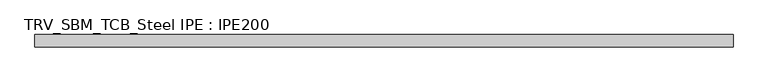
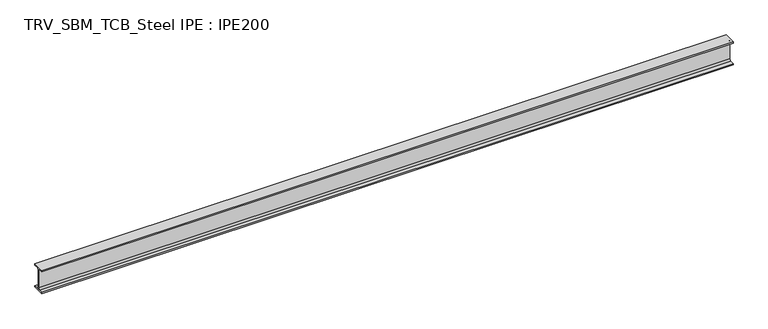
"""IFC4 building model written with IfcOpenShell, lengths in millimetres: beam geometry, TRV_SBM_TCB_Steel IPE : IPE200."""

from ifc_helpers import new_model, si_unit, point, frame, frame_2d, origin, place, context, project, spatial, polyline, circle_curve, trimmed, segment, composite_curve, outline, extrude, source, transform, mapped, element, save


def trv_sbm_tcb_steel_ipe_ipe200_c2ee52cb(model_context):
    return source(origin(), model_context, "Body", "SweptSolid", [
        extrude(outline(composite_curve([segment(polyline([(-50.0, -89.3), (-18.55, -89.3)]), True, "CONTINUOUS"), segment(trimmed(circle_curve(frame_2d((-18.55, -74.3)), 15.0), [point((-18.55, -89.3))], [point((-3.55, -74.3))], True, "CARTESIAN"), True, "CONTINUOUS"), segment(polyline([(-3.55, -74.3), (-3.55, 74.3)]), True, "CONTINUOUS"), segment(trimmed(circle_curve(frame_2d((-18.55, 74.3)), 15.0), [point((-3.55, 74.3))], [point((-18.55, 89.3))], True, "CARTESIAN"), True, "CONTINUOUS"), segment(polyline([(-18.55, 89.3), (-50.0, 89.3), (-50.0, 100.0), (50.0, 100.0), (50.0, 89.3), (18.55, 89.3)]), True, "CONTINUOUS"), segment(trimmed(circle_curve(frame_2d((18.55, 74.3)), 15.0), [point((18.55, 89.3))], [point((3.55, 74.3))], True, "CARTESIAN"), True, "CONTINUOUS"), segment(polyline([(3.55, 74.3), (3.55, -74.3)]), True, "CONTINUOUS"), segment(trimmed(circle_curve(frame_2d((18.55, -74.3)), 15.0), [point((3.55, -74.3))], [point((18.55, -89.3))], True, "CARTESIAN"), True, "CONTINUOUS"), segment(polyline([(18.55, -89.3), (50.0, -89.3), (50.0, -100.0), (-50.0, -100.0), (-50.0, -89.3)]), True, "CONTINUOUS")], self_intersect=False)), frame((-2816.5, 0.0, 0.0), z_axis=(1.0, 0.0, 0.0), x_axis=(0.0, 1.0, 0.0)), (0.0, 0.0, 1.0), 5693.0),
    ])


if __name__ == "__main__":
    model = new_model("IFC4")
    model_context = context("Model", 3, world=origin())
    ifc_project = project(units=[si_unit("LENGTHUNIT", "METRE", prefix="MILLI")], contexts=[model_context])
    site = spatial("IfcSite", under=ifc_project)
    building = spatial("IfcBuilding", under=site)
    placement = place(None, origin())
    trv_sbm_tcb_steel_ipe_ipe200_shape = trv_sbm_tcb_steel_ipe_ipe200_c2ee52cb(model_context)
    element("IfcBeam", 1, ObjectType="TRV_SBM_TCB_Steel IPE : IPE200", at=placement, inside=building, context=model_context, shape_type="MappedRepresentation", body=[
        mapped(trv_sbm_tcb_steel_ipe_ipe200_shape, transform((0.0, 0.0, 0.0), x_axis=(1.0, 0.0, 0.0), y_axis=(0.0, 1.0, 0.0), z_axis=(0.0, 0.0, 1.0))),
    ])
    save(model, "model.ifc")
